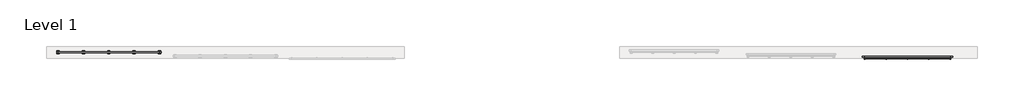
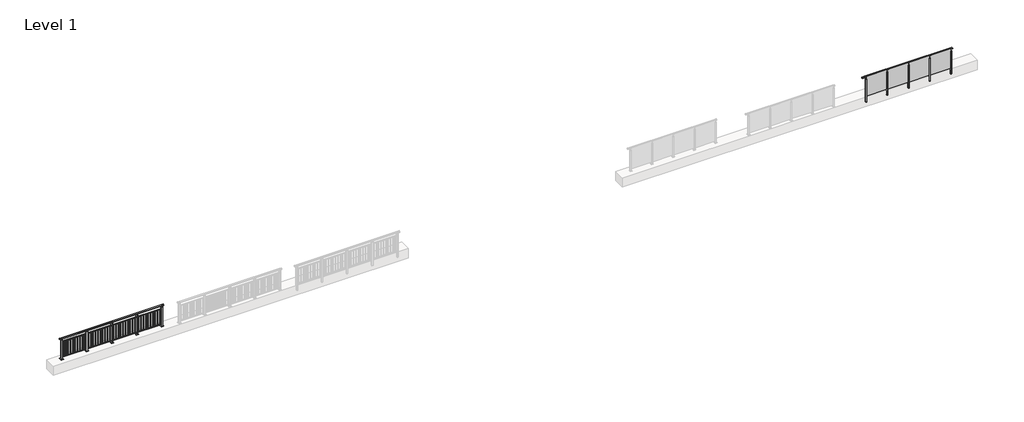
# One storey, part 2 of 38: 2 railings.
"""IFC4 building model written with IfcOpenShell, lengths in millimetres."""

import ifcopenshell
import ifcopenshell.guid

model = None  # the IFC model being written
_history = None  # IfcOwnerHistory: only IFC2X3 demands one
_inside = {}  # id of a spatial element -> (the spatial element, [elements in it])
_under = {}  # id of a project, library or spatial element -> (it, [spatial elements below it])
_declared = {}  # id of a project -> (the project, [libraries it declares])
_typed = {}  # id of a type object -> (the type object, [elements of that type])
_made_of = {}  # id of a material, layer set ... -> (it, [elements and type objects made of it])


def new_model(schema):
    """Start an empty IFC model of exactly this schema.

    Asked for "IFC4X3", IfcOpenShell would pick the latest addendum, in which some entities
    have other attributes; the version numbers below select the first issue.
    IFC2X3 requires an IfcOwnerHistory on every rooted entity: one is made here for all.
    """
    global model, _history
    if schema == "IFC4X3":
        model = ifcopenshell.file(schema_version=(4, 3, 0, 0))
    else:
        model = ifcopenshell.file(schema=schema)
    _inside.clear()
    _under.clear()
    _declared.clear()
    _typed.clear()
    _made_of.clear()
    _history = None
    if model.schema == "IFC2X3":
        org = make("IfcOrganization", Name="unknown")
        user = make(
            "IfcPersonAndOrganization",
            ThePerson=make("IfcPerson", FamilyName="unknown"),
            TheOrganization=org,
        )
        app = make(
            "IfcApplication",
            ApplicationDeveloper=org,
            Version="unknown",
            ApplicationFullName="unknown",
            ApplicationIdentifier="unknown",
        )
        _history = make(
            "IfcOwnerHistory",
            OwningUser=user,
            OwningApplication=app,
            ChangeAction="ADDED",
            CreationDate=0,
        )
    return model


def make(cls, **values):
    """One entity of the class cls with the attributes given. An attribute that is None is left unset."""
    return model.create_entity(
        cls, **{name: value for name, value in values.items() if value is not None}
    )


def rooted(cls, **values):
    """An entity with a GlobalId (a new one), such as an element, a storey or a relation."""
    return make(cls, GlobalId=ifcopenshell.guid.new(), OwnerHistory=_history, **values)


def si_unit(unit_type, name, prefix=None):
    """IfcSIUnit, for example si_unit("LENGTHUNIT", "METRE", prefix="MILLI")."""
    return make("IfcSIUnit", UnitType=unit_type, Prefix=prefix, Name=name)


def assignment(units):
    """IfcUnitAssignment: the units of a project."""
    return None if units is None else make("IfcUnitAssignment", Units=units)


def point(xyz):
    """IfcCartesianPoint."""
    return None if xyz is None else make("IfcCartesianPoint", Coordinates=xyz)


def direction(xyz):
    """IfcDirection."""
    return None if xyz is None else make("IfcDirection", DirectionRatios=xyz)


def frame(location, z_axis=None, x_axis=None):
    """IfcAxis2Placement3D, a coordinate frame: its origin and axes. An axis left out is left unset."""
    return make(
        "IfcAxis2Placement3D",
        Location=point(location),
        Axis=direction(z_axis),
        RefDirection=direction(x_axis),
    )


def frame_2d(location, x_axis=None):
    """IfcAxis2Placement2D, a coordinate frame in the plane: its origin and x axis."""
    return make(
        "IfcAxis2Placement2D", Location=point(location), RefDirection=direction(x_axis)
    )


def origin():
    """The frame at (0, 0, 0) with its axes left unset."""
    return frame((0.0, 0.0, 0.0))


def origin_with_axes():
    """The frame at (0, 0, 0) with the z axis (0, 0, 1) and the x axis (1, 0, 0) written out."""
    return frame((0.0, 0.0, 0.0), z_axis=(0.0, 0.0, 1.0), x_axis=(1.0, 0.0, 0.0))


def place(relative_to, where):
    """IfcLocalPlacement: puts the frame where relative to a parent placement (None: the world)."""
    return make(
        "IfcLocalPlacement", PlacementRelTo=relative_to, RelativePlacement=where
    )


def context(
    kind, dimensions, precision=None, world=None, true_north=None, identifier=None
):
    """IfcGeometricRepresentationContext, for example the 3D "Model" context."""
    return make(
        "IfcGeometricRepresentationContext",
        ContextIdentifier=identifier,
        ContextType=kind,
        CoordinateSpaceDimension=dimensions,
        Precision=precision,
        WorldCoordinateSystem=world,
        TrueNorth=true_north,
    )


def project(units=None, contexts=None):
    """IfcProject with its units and contexts."""
    return rooted(
        "IfcProject",
        Name="project",
        RepresentationContexts=contexts,
        UnitsInContext=assignment(units),
    )


def spatial(cls, under=None, at=None, **own):
    """A site, building, storey or space (cls), placed at a placement, below another one or the project."""
    s = rooted(cls, ObjectPlacement=at, **own)
    if under is not None:
        _under.setdefault(under.id(), (under, []))[1].append(s)
    return s


def polyline(points):
    """IfcPolyline through the points."""
    return make("IfcPolyline", Points=[point(p) for p in points])


def circle_curve(where, radius):
    """IfcCircle in the frame where."""
    return make("IfcCircle", Position=where, Radius=radius)


def trimmed(basis, trim1, trim2, sense, master):
    """IfcTrimmedCurve: the piece of a basis curve between two trims."""
    return make(
        "IfcTrimmedCurve",
        BasisCurve=basis,
        Trim1=trim1,
        Trim2=trim2,
        SenseAgreement=sense,
        MasterRepresentation=master,
    )


def segment(curve, same_sense, transition):
    """IfcCompositeCurveSegment."""
    return make(
        "IfcCompositeCurveSegment",
        Transition=transition,
        SameSense=same_sense,
        ParentCurve=curve,
    )


def composite_curve(segments, self_intersect=None):
    """IfcCompositeCurve: segments joined end to end."""
    return make("IfcCompositeCurve", Segments=segments, SelfIntersect=self_intersect)


def outline(outer, holes=None, kind="AREA"):
    """IfcArbitraryClosedProfileDef: a profile drawn as a closed curve; with holes, ...WithVoids."""
    if holes is None:
        return make("IfcArbitraryClosedProfileDef", ProfileType=kind, OuterCurve=outer)
    return make(
        "IfcArbitraryProfileDefWithVoids",
        ProfileType=kind,
        OuterCurve=outer,
        InnerCurves=holes,
    )


def extrude(swept, where, along, depth):
    """IfcExtrudedAreaSolid: the profile swept, set in the frame where, extruded along a direction by depth."""
    return make(
        "IfcExtrudedAreaSolid",
        SweptArea=swept,
        Position=where,
        ExtrudedDirection=direction(along),
        Depth=depth,
    )


def faces_of(points, faces, orient=None, outer=None):
    """IfcFace entities. A face is a list of loops; a loop is a list of indices into points, from 0.

    orient and outer hold one flag for each loop. By default every Orientation is true, the
    first loop of a face is its IfcFaceOuterBound and the others are IfcFaceBound.
    """
    made = []
    for i, loops in enumerate(faces):
        bounds = []
        for j, loop in enumerate(loops):
            is_outer = j == 0 if outer is None else outer[i][j]
            bounds.append(
                make(
                    "IfcFaceOuterBound" if is_outer else "IfcFaceBound",
                    Bound=make("IfcPolyLoop", Polygon=[points[k] for k in loop]),
                    Orientation=True if orient is None else orient[i][j],
                )
            )
        made.append(make("IfcFace", Bounds=bounds))
    return made


def faceted_brep(points, faces, orient=None, outer=None, voids=None):
    """IfcFacetedBrep: a solid bounded by flat faces; with voids (closed shells), ...WithVoids."""
    shared = [point(p) for p in points]
    hull = make("IfcClosedShell", CfsFaces=faces_of(shared, faces, orient, outer))
    if voids is None:
        return make("IfcFacetedBrep", Outer=hull)
    return make(
        "IfcFacetedBrepWithVoids",
        Outer=hull,
        Voids=[
            make(cls, CfsFaces=faces_of(shared, fs, o, b)) for cls, fs, o, b in voids
        ],
    )


def shape(context_of_items, identifier, shape_type, items):
    """IfcShapeRepresentation: the items that make up one representation, for example the "Body"."""
    return make(
        "IfcShapeRepresentation",
        ContextOfItems=context_of_items,
        RepresentationIdentifier=identifier,
        RepresentationType=shape_type,
        Items=items,
    )


def made_of(thing, what):
    """Note that an element or type object is made of a material, layer set ...; save() writes the relation."""
    if what is not None:
        _made_of.setdefault(what.id(), (what, []))[1].append(thing)
    return thing


def element(
    cls,
    number,
    at=None,
    inside=None,
    cuts=None,
    type_object=None,
    material=None,
    context=None,
    identifier="Body",
    shape_type=None,
    held_by="IfcProductDefinitionShape",
    body=None,
    shapes=None,
    **own,
):
    """One element of the class cls, such as IfcWall. Its Tag is "e" and its number.

    at: its placement. inside: the storey or other place that contains it. cuts: it is an
    opening in that element (IfcRelVoidsElement). A single representation is given by context,
    identifier, shape_type and body (its items); several are given by shapes. held_by: the class
    of the entity that holds the representations. save() writes the other relations.
    """
    e = rooted(cls, Tag="e%d" % number, ObjectPlacement=at, **own)
    if body is not None:
        shapes = [shape(context, identifier, shape_type, body)]
    if shapes is not None:
        e.Representation = make(held_by, Representations=shapes)
    if inside is not None:
        _inside.setdefault(inside.id(), (inside, []))[1].append(e)
    if cuts is not None:
        rooted(
            "IfcRelVoidsElement", RelatingBuildingElement=cuts, RelatedOpeningElement=e
        )
    if type_object is not None:
        _typed.setdefault(type_object.id(), (type_object, []))[1].append(e)
    return made_of(e, material)


def aggregate(whole, parts):
    """IfcRelAggregates: a whole, such as a stair, and the parts it consists of."""
    return rooted("IfcRelAggregates", RelatingObject=whole, RelatedObjects=parts)


def save(model, path):
    """Write the relations noted so far, then the file.

    IfcRelAggregates (storeys below a building ...), IfcRelContainedInSpatialStructure (elements
    in a storey), IfcRelDefinesByType, IfcRelAssociatesMaterial and IfcRelDeclares: one each for
    every whole, place, type object, material and project.
    """
    for whole, parts in _under.values():
        aggregate(whole, parts)
    for where, things in _inside.values():
        rooted(
            "IfcRelContainedInSpatialStructure",
            RelatedElements=things,
            RelatingStructure=where,
        )
    for kind, things in _typed.values():
        rooted("IfcRelDefinesByType", RelatedObjects=things, RelatingType=kind)
    for what, things in _made_of.values():
        rooted("IfcRelAssociatesMaterial", RelatedObjects=things, RelatingMaterial=what)
    for by, libraries in _declared.values():
        rooted("IfcRelDeclares", RelatingContext=by, RelatedDefinitions=libraries)
    model.write(path)


model = new_model("IFC4")

# Units and contexts
model_context = context("Model", 3, world=origin())
ifc_project = project(units=[si_unit("LENGTHUNIT", "METRE", prefix="MILLI")], contexts=[model_context])

# Site, building, storey
site = spatial("IfcSite", under=ifc_project)
building = spatial("IfcBuilding", under=site)
storey = spatial("IfcBuildingStorey", under=building, Name="Level 1", Elevation=0.0)

# Railings
placement = place(None, origin())
element("IfcRailing", 1, at=placement, inside=storey, context=model_context, shape_type="SolidModel", body=[
    faceted_brep([(0.0, 220.1846828, 1102.5), (0.0, 220.1846828, 1150.0), (5200.0, 220.1846828, 1150.0), (5200.0, 220.1846828, 1102.5), (0.0, 160.1846828, 1102.5), (5200.0, 160.1846828, 1102.5), (0.0, 160.1846828, 1150.0), (5200.0, 160.1846828, 1150.0), (-87.5, 220.1846828, 1150.0), (-87.5, 220.1846828, 1102.5), (-87.5, 160.1846828, 1102.5), (-87.5, 160.1846828, 1150.0), (5287.5, 220.1846828, 1150.0), (5287.5, 160.1846828, 1150.0), (5287.5, 160.1846828, 1102.5), (5287.5, 220.1846828, 1102.5)], [[[0, 1, 2, 3]], [[4, 0, 3, 5]], [[6, 4, 5, 7]], [[1, 6, 7, 2]], [[8, 9, 10, 11]], [[9, 8, 1, 0]], [[10, 9, 0, 4]], [[11, 10, 4, 6]], [[8, 11, 6, 1]], [[12, 13, 14, 15]], [[3, 2, 12, 15]], [[5, 3, 15, 14]], [[7, 5, 14, 13]], [[2, 7, 13, 12]]]),
    extrude(outline(polyline([(0.0, 172.1846828), (0.0, 208.1846828), (5200.0, 208.1846828), (5200.0, 172.1846828), (0.0, 172.1846828)])), frame((0.0, 0.0, 928.0), z_axis=(0.0, 0.0, 1.0), x_axis=(1.0, 0.0, 0.0)), (0.0, 0.0, 1.0), 32.0),
    extrude(outline(polyline([(0.0, 172.1846828), (0.0, 208.1846828), (5200.0, 208.1846828), (5200.0, 172.1846828), (0.0, 172.1846828)])), frame((0.0, 0.0, 93.0), z_axis=(0.0, 0.0, 1.0), x_axis=(1.0, 0.0, 0.0)), (0.0, 0.0, 1.0), 32.0),
    extrude(outline(polyline([(5110.0151515, 181.6846828), (5093.0151515, 181.6846828), (5093.0151515, 198.6846828), (5110.0151515, 198.6846828), (5110.0151515, 181.6846828)])), frame((0.0, 0.0, 125.0), z_axis=(0.0, 0.0, 1.0), x_axis=(1.0, 0.0, 0.0)), (0.0, 0.0, 1.0), 803.0),
    extrude(outline(polyline([(4987.456229, 181.6846828), (4970.456229, 181.6846828), (4970.456229, 198.6846828), (4987.456229, 198.6846828), (4987.456229, 181.6846828)])), frame((0.0, 0.0, 125.0), z_axis=(0.0, 0.0, 1.0), x_axis=(1.0, 0.0, 0.0)), (0.0, 0.0, 1.0), 803.0),
    extrude(outline(polyline([(4864.8973064, 181.6846828), (4847.8973064, 181.6846828), (4847.8973064, 198.6846828), (4864.8973064, 198.6846828), (4864.8973064, 181.6846828)])), frame((0.0, 0.0, 125.0), z_axis=(0.0, 0.0, 1.0), x_axis=(1.0, 0.0, 0.0)), (0.0, 0.0, 1.0), 803.0),
    extrude(outline(polyline([(4742.3383838, 181.6846828), (4725.3383838, 181.6846828), (4725.3383838, 198.6846828), (4742.3383838, 198.6846828), (4742.3383838, 181.6846828)])), frame((0.0, 0.0, 125.0), z_axis=(0.0, 0.0, 1.0), x_axis=(1.0, 0.0, 0.0)), (0.0, 0.0, 1.0), 803.0),
    extrude(outline(polyline([(4619.7794613, 181.6846828), (4602.7794613, 181.6846828), (4602.7794613, 198.6846828), (4619.7794613, 198.6846828), (4619.7794613, 181.6846828)])), frame((0.0, 0.0, 125.0), z_axis=(0.0, 0.0, 1.0), x_axis=(1.0, 0.0, 0.0)), (0.0, 0.0, 1.0), 803.0),
    extrude(outline(polyline([(4497.2205387, 181.6846828), (4480.2205387, 181.6846828), (4480.2205387, 198.6846828), (4497.2205387, 198.6846828), (4497.2205387, 181.6846828)])), frame((0.0, 0.0, 125.0), z_axis=(0.0, 0.0, 1.0), x_axis=(1.0, 0.0, 0.0)), (0.0, 0.0, 1.0), 803.0),
    extrude(outline(polyline([(4374.6616162, 181.6846828), (4357.6616162, 181.6846828), (4357.6616162, 198.6846828), (4374.6616162, 198.6846828), (4374.6616162, 181.6846828)])), frame((0.0, 0.0, 125.0), z_axis=(0.0, 0.0, 1.0), x_axis=(1.0, 0.0, 0.0)), (0.0, 0.0, 1.0), 803.0),
    extrude(outline(polyline([(4252.1026936, 181.6846828), (4235.1026936, 181.6846828), (4235.1026936, 198.6846828), (4252.1026936, 198.6846828), (4252.1026936, 181.6846828)])), frame((0.0, 0.0, 125.0), z_axis=(0.0, 0.0, 1.0), x_axis=(1.0, 0.0, 0.0)), (0.0, 0.0, 1.0), 803.0),
    extrude(outline(polyline([(4129.543771, 181.6846828), (4112.543771, 181.6846828), (4112.543771, 198.6846828), (4129.543771, 198.6846828), (4129.543771, 181.6846828)])), frame((0.0, 0.0, 125.0), z_axis=(0.0, 0.0, 1.0), x_axis=(1.0, 0.0, 0.0)), (0.0, 0.0, 1.0), 803.0),
    extrude(outline(polyline([(4006.9848485, 181.6846828), (3989.9848485, 181.6846828), (3989.9848485, 198.6846828), (4006.9848485, 198.6846828), (4006.9848485, 181.6846828)])), frame((0.0, 0.0, 125.0), z_axis=(0.0, 0.0, 1.0), x_axis=(1.0, 0.0, 0.0)), (0.0, 0.0, 1.0), 803.0),
    extrude(outline(polyline([(3910.0, 200.1846828), (3910.0, 180.1846828), (3890.0, 180.1846828), (3890.0, 200.1846828), (3910.0, 200.1846828)])), frame((0.0, 0.0, 1085.0), z_axis=(0.0, 0.0, 1.0), x_axis=(1.0, 0.0, 0.0)), (0.0, 0.0, 1.0), 20.0),
    extrude(outline(polyline([(3927.0, 229.1846828), (3927.0, 151.1846828), (3873.0, 151.1846828), (3873.0, 229.1846828), (3927.0, 229.1846828)])), frame((0.0, 0.0, 1077.0), z_axis=(0.0, 0.0, 1.0), x_axis=(1.0, 0.0, 0.0)), (0.0, 0.0, 1.0), 8.0),
    extrude(outline(polyline([(3962.5, 265.1846828), (3962.5, 115.1846828), (3837.5, 115.1846828), (3837.5, 265.1846828), (3962.5, 265.1846828)])), origin_with_axes(), (0.0, 0.0, 1.0), 12.0),
    extrude(outline(polyline([(3927.0, 229.1846828), (3927.0, 151.1846828), (3873.0, 151.1846828), (3873.0, 229.1846828), (3927.0, 229.1846828)])), frame((0.0, 0.0, 12.0), z_axis=(0.0, 0.0, 1.0), x_axis=(1.0, 0.0, 0.0)), (0.0, 0.0, 1.0), 1065.0),
    extrude(outline(polyline([(3810.0151515, 181.6846828), (3793.0151515, 181.6846828), (3793.0151515, 198.6846828), (3810.0151515, 198.6846828), (3810.0151515, 181.6846828)])), frame((0.0, 0.0, 125.0), z_axis=(0.0, 0.0, 1.0), x_axis=(1.0, 0.0, 0.0)), (0.0, 0.0, 1.0), 803.0),
    extrude(outline(polyline([(3687.456229, 181.6846828), (3670.456229, 181.6846828), (3670.456229, 198.6846828), (3687.456229, 198.6846828), (3687.456229, 181.6846828)])), frame((0.0, 0.0, 125.0), z_axis=(0.0, 0.0, 1.0), x_axis=(1.0, 0.0, 0.0)), (0.0, 0.0, 1.0), 803.0),
    extrude(outline(polyline([(3564.8973064, 181.6846828), (3547.8973064, 181.6846828), (3547.8973064, 198.6846828), (3564.8973064, 198.6846828), (3564.8973064, 181.6846828)])), frame((0.0, 0.0, 125.0), z_axis=(0.0, 0.0, 1.0), x_axis=(1.0, 0.0, 0.0)), (0.0, 0.0, 1.0), 803.0),
    extrude(outline(polyline([(3442.3383838, 181.6846828), (3425.3383838, 181.6846828), (3425.3383838, 198.6846828), (3442.3383838, 198.6846828), (3442.3383838, 181.6846828)])), frame((0.0, 0.0, 125.0), z_axis=(0.0, 0.0, 1.0), x_axis=(1.0, 0.0, 0.0)), (0.0, 0.0, 1.0), 803.0),
    extrude(outline(polyline([(3319.7794613, 181.6846828), (3302.7794613, 181.6846828), (3302.7794613, 198.6846828), (3319.7794613, 198.6846828), (3319.7794613, 181.6846828)])), frame((0.0, 0.0, 125.0), z_axis=(0.0, 0.0, 1.0), x_axis=(1.0, 0.0, 0.0)), (0.0, 0.0, 1.0), 803.0),
    extrude(outline(polyline([(3197.2205387, 181.6846828), (3180.2205387, 181.6846828), (3180.2205387, 198.6846828), (3197.2205387, 198.6846828), (3197.2205387, 181.6846828)])), frame((0.0, 0.0, 125.0), z_axis=(0.0, 0.0, 1.0), x_axis=(1.0, 0.0, 0.0)), (0.0, 0.0, 1.0), 803.0),
    extrude(outline(polyline([(3074.6616162, 181.6846828), (3057.6616162, 181.6846828), (3057.6616162, 198.6846828), (3074.6616162, 198.6846828), (3074.6616162, 181.6846828)])), frame((0.0, 0.0, 125.0), z_axis=(0.0, 0.0, 1.0), x_axis=(1.0, 0.0, 0.0)), (0.0, 0.0, 1.0), 803.0),
    extrude(outline(polyline([(2952.1026936, 181.6846828), (2935.1026936, 181.6846828), (2935.1026936, 198.6846828), (2952.1026936, 198.6846828), (2952.1026936, 181.6846828)])), frame((0.0, 0.0, 125.0), z_axis=(0.0, 0.0, 1.0), x_axis=(1.0, 0.0, 0.0)), (0.0, 0.0, 1.0), 803.0),
    extrude(outline(polyline([(2829.543771, 181.6846828), (2812.543771, 181.6846828), (2812.543771, 198.6846828), (2829.543771, 198.6846828), (2829.543771, 181.6846828)])), frame((0.0, 0.0, 125.0), z_axis=(0.0, 0.0, 1.0), x_axis=(1.0, 0.0, 0.0)), (0.0, 0.0, 1.0), 803.0),
    extrude(outline(polyline([(2706.9848485, 181.6846828), (2689.9848485, 181.6846828), (2689.9848485, 198.6846828), (2706.9848485, 198.6846828), (2706.9848485, 181.6846828)])), frame((0.0, 0.0, 125.0), z_axis=(0.0, 0.0, 1.0), x_axis=(1.0, 0.0, 0.0)), (0.0, 0.0, 1.0), 803.0),
    extrude(outline(polyline([(2610.0, 200.1846828), (2610.0, 180.1846828), (2590.0, 180.1846828), (2590.0, 200.1846828), (2610.0, 200.1846828)])), frame((0.0, 0.0, 1085.0), z_axis=(0.0, 0.0, 1.0), x_axis=(1.0, 0.0, 0.0)), (0.0, 0.0, 1.0), 20.0),
    extrude(outline(polyline([(2627.0, 229.1846828), (2627.0, 151.1846828), (2573.0, 151.1846828), (2573.0, 229.1846828), (2627.0, 229.1846828)])), frame((0.0, 0.0, 1077.0), z_axis=(0.0, 0.0, 1.0), x_axis=(1.0, 0.0, 0.0)), (0.0, 0.0, 1.0), 8.0),
    extrude(outline(polyline([(2662.5, 265.1846828), (2662.5, 115.1846828), (2537.5, 115.1846828), (2537.5, 265.1846828), (2662.5, 265.1846828)])), origin_with_axes(), (0.0, 0.0, 1.0), 12.0),
    extrude(outline(polyline([(2627.0, 229.1846828), (2627.0, 151.1846828), (2573.0, 151.1846828), (2573.0, 229.1846828), (2627.0, 229.1846828)])), frame((0.0, 0.0, 12.0), z_axis=(0.0, 0.0, 1.0), x_axis=(1.0, 0.0, 0.0)), (0.0, 0.0, 1.0), 1065.0),
    extrude(outline(polyline([(2510.0151515, 181.6846828), (2493.0151515, 181.6846828), (2493.0151515, 198.6846828), (2510.0151515, 198.6846828), (2510.0151515, 181.6846828)])), frame((0.0, 0.0, 125.0), z_axis=(0.0, 0.0, 1.0), x_axis=(1.0, 0.0, 0.0)), (0.0, 0.0, 1.0), 803.0),
    extrude(outline(polyline([(2387.456229, 181.6846828), (2370.456229, 181.6846828), (2370.456229, 198.6846828), (2387.456229, 198.6846828), (2387.456229, 181.6846828)])), frame((0.0, 0.0, 125.0), z_axis=(0.0, 0.0, 1.0), x_axis=(1.0, 0.0, 0.0)), (0.0, 0.0, 1.0), 803.0),
    extrude(outline(polyline([(2264.8973064, 181.6846828), (2247.8973064, 181.6846828), (2247.8973064, 198.6846828), (2264.8973064, 198.6846828), (2264.8973064, 181.6846828)])), frame((0.0, 0.0, 125.0), z_axis=(0.0, 0.0, 1.0), x_axis=(1.0, 0.0, 0.0)), (0.0, 0.0, 1.0), 803.0),
    extrude(outline(polyline([(2142.3383838, 181.6846828), (2125.3383838, 181.6846828), (2125.3383838, 198.6846828), (2142.3383838, 198.6846828), (2142.3383838, 181.6846828)])), frame((0.0, 0.0, 125.0), z_axis=(0.0, 0.0, 1.0), x_axis=(1.0, 0.0, 0.0)), (0.0, 0.0, 1.0), 803.0),
    extrude(outline(polyline([(2019.7794613, 181.6846828), (2002.7794613, 181.6846828), (2002.7794613, 198.6846828), (2019.7794613, 198.6846828), (2019.7794613, 181.6846828)])), frame((0.0, 0.0, 125.0), z_axis=(0.0, 0.0, 1.0), x_axis=(1.0, 0.0, 0.0)), (0.0, 0.0, 1.0), 803.0),
    extrude(outline(polyline([(1897.2205387, 181.6846828), (1880.2205387, 181.6846828), (1880.2205387, 198.6846828), (1897.2205387, 198.6846828), (1897.2205387, 181.6846828)])), frame((0.0, 0.0, 125.0), z_axis=(0.0, 0.0, 1.0), x_axis=(1.0, 0.0, 0.0)), (0.0, 0.0, 1.0), 803.0),
    extrude(outline(polyline([(1774.6616162, 181.6846828), (1757.6616162, 181.6846828), (1757.6616162, 198.6846828), (1774.6616162, 198.6846828), (1774.6616162, 181.6846828)])), frame((0.0, 0.0, 125.0), z_axis=(0.0, 0.0, 1.0), x_axis=(1.0, 0.0, 0.0)), (0.0, 0.0, 1.0), 803.0),
    extrude(outline(polyline([(1652.1026936, 181.6846828), (1635.1026936, 181.6846828), (1635.1026936, 198.6846828), (1652.1026936, 198.6846828), (1652.1026936, 181.6846828)])), frame((0.0, 0.0, 125.0), z_axis=(0.0, 0.0, 1.0), x_axis=(1.0, 0.0, 0.0)), (0.0, 0.0, 1.0), 803.0),
    extrude(outline(polyline([(1529.543771, 181.6846828), (1512.543771, 181.6846828), (1512.543771, 198.6846828), (1529.543771, 198.6846828), (1529.543771, 181.6846828)])), frame((0.0, 0.0, 125.0), z_axis=(0.0, 0.0, 1.0), x_axis=(1.0, 0.0, 0.0)), (0.0, 0.0, 1.0), 803.0),
    extrude(outline(polyline([(1406.9848485, 181.6846828), (1389.9848485, 181.6846828), (1389.9848485, 198.6846828), (1406.9848485, 198.6846828), (1406.9848485, 181.6846828)])), frame((0.0, 0.0, 125.0), z_axis=(0.0, 0.0, 1.0), x_axis=(1.0, 0.0, 0.0)), (0.0, 0.0, 1.0), 803.0),
    extrude(outline(polyline([(1310.0, 200.1846828), (1310.0, 180.1846828), (1290.0, 180.1846828), (1290.0, 200.1846828), (1310.0, 200.1846828)])), frame((0.0, 0.0, 1085.0), z_axis=(0.0, 0.0, 1.0), x_axis=(1.0, 0.0, 0.0)), (0.0, 0.0, 1.0), 20.0),
    extrude(outline(polyline([(1327.0, 229.1846828), (1327.0, 151.1846828), (1273.0, 151.1846828), (1273.0, 229.1846828), (1327.0, 229.1846828)])), frame((0.0, 0.0, 1077.0), z_axis=(0.0, 0.0, 1.0), x_axis=(1.0, 0.0, 0.0)), (0.0, 0.0, 1.0), 8.0),
    extrude(outline(polyline([(1362.5, 265.1846828), (1362.5, 115.1846828), (1237.5, 115.1846828), (1237.5, 265.1846828), (1362.5, 265.1846828)])), origin_with_axes(), (0.0, 0.0, 1.0), 12.0),
    extrude(outline(polyline([(1327.0, 229.1846828), (1327.0, 151.1846828), (1273.0, 151.1846828), (1273.0, 229.1846828), (1327.0, 229.1846828)])), frame((0.0, 0.0, 12.0), z_axis=(0.0, 0.0, 1.0), x_axis=(1.0, 0.0, 0.0)), (0.0, 0.0, 1.0), 1065.0),
    extrude(outline(polyline([(1210.0151515, 181.6846828), (1193.0151515, 181.6846828), (1193.0151515, 198.6846828), (1210.0151515, 198.6846828), (1210.0151515, 181.6846828)])), frame((0.0, 0.0, 125.0), z_axis=(0.0, 0.0, 1.0), x_axis=(1.0, 0.0, 0.0)), (0.0, 0.0, 1.0), 803.0),
    extrude(outline(polyline([(1087.456229, 181.6846828), (1070.456229, 181.6846828), (1070.456229, 198.6846828), (1087.456229, 198.6846828), (1087.456229, 181.6846828)])), frame((0.0, 0.0, 125.0), z_axis=(0.0, 0.0, 1.0), x_axis=(1.0, 0.0, 0.0)), (0.0, 0.0, 1.0), 803.0),
    extrude(outline(polyline([(964.8973064, 181.6846828), (947.8973064, 181.6846828), (947.8973064, 198.6846828), (964.8973064, 198.6846828), (964.8973064, 181.6846828)])), frame((0.0, 0.0, 125.0), z_axis=(0.0, 0.0, 1.0), x_axis=(1.0, 0.0, 0.0)), (0.0, 0.0, 1.0), 803.0),
    extrude(outline(polyline([(842.3383838, 181.6846828), (825.3383838, 181.6846828), (825.3383838, 198.6846828), (842.3383838, 198.6846828), (842.3383838, 181.6846828)])), frame((0.0, 0.0, 125.0), z_axis=(0.0, 0.0, 1.0), x_axis=(1.0, 0.0, 0.0)), (0.0, 0.0, 1.0), 803.0),
    extrude(outline(polyline([(719.7794613, 181.6846828), (702.7794613, 181.6846828), (702.7794613, 198.6846828), (719.7794613, 198.6846828), (719.7794613, 181.6846828)])), frame((0.0, 0.0, 125.0), z_axis=(0.0, 0.0, 1.0), x_axis=(1.0, 0.0, 0.0)), (0.0, 0.0, 1.0), 803.0),
    extrude(outline(polyline([(597.2205387, 181.6846828), (580.2205387, 181.6846828), (580.2205387, 198.6846828), (597.2205387, 198.6846828), (597.2205387, 181.6846828)])), frame((0.0, 0.0, 125.0), z_axis=(0.0, 0.0, 1.0), x_axis=(1.0, 0.0, 0.0)), (0.0, 0.0, 1.0), 803.0),
    extrude(outline(polyline([(474.6616162, 181.6846828), (457.6616162, 181.6846828), (457.6616162, 198.6846828), (474.6616162, 198.6846828), (474.6616162, 181.6846828)])), frame((0.0, 0.0, 125.0), z_axis=(0.0, 0.0, 1.0), x_axis=(1.0, 0.0, 0.0)), (0.0, 0.0, 1.0), 803.0),
    extrude(outline(polyline([(352.1026936, 181.6846828), (335.1026936, 181.6846828), (335.1026936, 198.6846828), (352.1026936, 198.6846828), (352.1026936, 181.6846828)])), frame((0.0, 0.0, 125.0), z_axis=(0.0, 0.0, 1.0), x_axis=(1.0, 0.0, 0.0)), (0.0, 0.0, 1.0), 803.0),
    extrude(outline(polyline([(229.543771, 181.6846828), (212.543771, 181.6846828), (212.543771, 198.6846828), (229.543771, 198.6846828), (229.543771, 181.6846828)])), frame((0.0, 0.0, 125.0), z_axis=(0.0, 0.0, 1.0), x_axis=(1.0, 0.0, 0.0)), (0.0, 0.0, 1.0), 803.0),
    extrude(outline(polyline([(106.9848485, 181.6846828), (89.9848485, 181.6846828), (89.9848485, 198.6846828), (106.9848485, 198.6846828), (106.9848485, 181.6846828)])), frame((0.0, 0.0, 125.0), z_axis=(0.0, 0.0, 1.0), x_axis=(1.0, 0.0, 0.0)), (0.0, 0.0, 1.0), 803.0),
    extrude(outline(polyline([(5210.0, 200.1846828), (5210.0, 180.1846828), (5190.0, 180.1846828), (5190.0, 200.1846828), (5210.0, 200.1846828)])), frame((0.0, 0.0, 1085.0), z_axis=(0.0, 0.0, 1.0), x_axis=(1.0, 0.0, 0.0)), (0.0, 0.0, 1.0), 20.0),
    extrude(outline(polyline([(5227.0, 229.1846828), (5227.0, 151.1846828), (5173.0, 151.1846828), (5173.0, 229.1846828), (5227.0, 229.1846828)])), frame((0.0, 0.0, 1077.0), z_axis=(0.0, 0.0, 1.0), x_axis=(1.0, 0.0, 0.0)), (0.0, 0.0, 1.0), 8.0),
    extrude(outline(polyline([(5262.5, 265.1846828), (5262.5, 115.1846828), (5137.5, 115.1846828), (5137.5, 265.1846828), (5262.5, 265.1846828)])), origin_with_axes(), (0.0, 0.0, 1.0), 12.0),
    extrude(outline(polyline([(5227.0, 229.1846828), (5227.0, 151.1846828), (5173.0, 151.1846828), (5173.0, 229.1846828), (5227.0, 229.1846828)])), frame((0.0, 0.0, 12.0), z_axis=(0.0, 0.0, 1.0), x_axis=(1.0, 0.0, 0.0)), (0.0, 0.0, 1.0), 1065.0),
    extrude(outline(polyline([(10.0, 200.1846828), (10.0, 180.1846828), (-10.0, 180.1846828), (-10.0, 200.1846828), (10.0, 200.1846828)])), frame((0.0, 0.0, 1085.0), z_axis=(0.0, 0.0, 1.0), x_axis=(1.0, 0.0, 0.0)), (0.0, 0.0, 1.0), 20.0),
    extrude(outline(polyline([(27.0, 229.1846828), (27.0, 151.1846828), (-27.0, 151.1846828), (-27.0, 229.1846828), (27.0, 229.1846828)])), frame((0.0, 0.0, 1077.0), z_axis=(0.0, 0.0, 1.0), x_axis=(1.0, 0.0, 0.0)), (0.0, 0.0, 1.0), 8.0),
    extrude(outline(polyline([(62.5, 265.1846828), (62.5, 115.1846828), (-62.5, 115.1846828), (-62.5, 265.1846828), (62.5, 265.1846828)])), origin_with_axes(), (0.0, 0.0, 1.0), 12.0),
    extrude(outline(polyline([(27.0, 229.1846828), (27.0, 151.1846828), (-27.0, 151.1846828), (-27.0, 229.1846828), (27.0, 229.1846828)])), frame((0.0, 0.0, 12.0), z_axis=(0.0, 0.0, 1.0), x_axis=(1.0, 0.0, 0.0)), (0.0, 0.0, 1.0), 1065.0),
])
element("IfcRailing", 2, at=placement, inside=storey, context=model_context, shape_type="SolidModel", body=[
    faceted_brep([(41476.1884576, -6.8153172, 1052.5), (41476.1884576, -6.8153172, 1100.0), (45876.1884576, -6.8153172, 1100.0), (45876.1884576, -6.8153172, 1052.5), (41476.1884576, -66.8153172, 1052.5), (45876.1884576, -66.8153172, 1052.5), (41476.1884576, -66.8153172, 1100.0), (45876.1884576, -66.8153172, 1100.0), (41348.6884576, -6.8153172, 1100.0), (41348.6884576, -6.8153172, 1052.5), (41348.6884576, -66.8153172, 1052.5), (41348.6884576, -66.8153172, 1100.0), (46003.6884576, -6.8153172, 1100.0), (46003.6884576, -66.8153172, 1100.0), (46003.6884576, -66.8153172, 1052.5), (46003.6884576, -6.8153172, 1052.5)], [[[0, 1, 2, 3]], [[4, 0, 3, 5]], [[6, 4, 5, 7]], [[1, 6, 7, 2]], [[8, 9, 10, 11]], [[9, 8, 1, 0]], [[10, 9, 0, 4]], [[11, 10, 4, 6]], [[8, 11, 6, 1]], [[12, 13, 14, 15]], [[3, 2, 12, 15]], [[5, 3, 15, 14]], [[7, 5, 14, 13]], [[2, 7, 13, 12]]]),
    extrude(outline(polyline([(44786.1884576, -138.0905071), (44786.1884576, -128.0905071), (45866.1884576, -128.0905071), (45866.1884576, -138.0905071), (44786.1884576, -138.0905071)])), frame((0.0, 0.0, 95.0), z_axis=(0.0, 0.0, 1.0), x_axis=(1.0, 0.0, 0.0)), (0.0, 0.0, 1.0), 1055.0),
    extrude(outline(composite_curve([segment(polyline([(-11.8153172, 1085.0), (-11.8153172, 1060.900037)]), True, "CONTINUOUS"), segment(trimmed(circle_curve(frame_2d((-21.8153172, 1060.900037)), 10.0), [point((-11.8153172, 1060.900037))], [point((-19.2271267, 1051.2407787))], False, "CARTESIAN"), True, "CONTINUOUS"), segment(polyline([(-19.2271267, 1051.2407787), (-76.2755267, 1035.9547061)]), True, "CONTINUOUS"), segment(trimmed(circle_curve(frame_2d((-73.6873362, 1026.2954478)), 10.0), [point((-76.2755267, 1035.9547061))], [point((-83.6017848, 1027.6007097))], True, "CARTESIAN"), True, "CONTINUOUS"), segment(polyline([(-83.6017848, 1027.6007097), (-88.208607, 992.6084214)]), True, "CONTINUOUS"), segment(trimmed(circle_curve(frame_2d((-91.1829416, 993.0)), 3.0), [point((-88.208607, 992.6084214))], [point((-91.1829416, 990.0))], False, "CARTESIAN"), True, "CONTINUOUS"), segment(polyline([(-91.1829416, 990.0), (-99.8153172, 990.0), (-99.8153172, 1040.0), (-35.8153172, 1057.1487483), (-35.8153172, 1085.0), (-11.8153172, 1085.0)]), True, "CONTINUOUS")], self_intersect=False)), frame((44763.6884576, 0.0, 0.0), z_axis=(1.0, 0.0, 0.0), x_axis=(0.0, 1.0, 0.0)), (0.0, 0.0, 1.0), 25.0),
    extrude(outline(polyline([(44798.6884576, -99.8153172), (44798.6884576, -164.8153172), (44753.6884576, -164.8153172), (44753.6884576, -99.8153172), (44798.6884576, -99.8153172)])), frame((0.0, 0.0, 1040.0), z_axis=(0.0, 0.0, 1.0), x_axis=(1.0, 0.0, 0.0)), (0.0, 0.0, 1.0), 5.0),
    extrude(outline(polyline([(44798.6884576, -99.8153172), (44798.6884576, -164.8153172), (44753.6884576, -164.8153172), (44753.6884576, -99.8153172), (44798.6884576, -99.8153172)])), frame((0.0, 0.0, -212.0), z_axis=(0.0, 0.0, 1.0), x_axis=(1.0, 0.0, 0.0)), (0.0, 0.0, 1.0), 1252.0),
    extrude(outline(polyline([(44798.6884576, -99.8153172), (44798.6884576, -164.8153172), (44753.6884576, -164.8153172), (44753.6884576, -99.8153172), (44798.6884576, -99.8153172)])), frame((0.0, 0.0, -220.0), z_axis=(0.0, 0.0, 1.0), x_axis=(1.0, 0.0, 0.0)), (0.0, 0.0, 1.0), 8.0),
    extrude(outline(polyline([(43686.1884576, -138.0905071), (43686.1884576, -128.0905071), (44766.1884576, -128.0905071), (44766.1884576, -138.0905071), (43686.1884576, -138.0905071)])), frame((0.0, 0.0, 95.0), z_axis=(0.0, 0.0, 1.0), x_axis=(1.0, 0.0, 0.0)), (0.0, 0.0, 1.0), 1055.0),
    extrude(outline(composite_curve([segment(polyline([(-11.8153172, 1085.0), (-11.8153172, 1060.900037)]), True, "CONTINUOUS"), segment(trimmed(circle_curve(frame_2d((-21.8153172, 1060.900037)), 10.0), [point((-11.8153172, 1060.900037))], [point((-19.2271267, 1051.2407787))], False, "CARTESIAN"), True, "CONTINUOUS"), segment(polyline([(-19.2271267, 1051.2407787), (-76.2755267, 1035.9547061)]), True, "CONTINUOUS"), segment(trimmed(circle_curve(frame_2d((-73.6873362, 1026.2954478)), 10.0), [point((-76.2755267, 1035.9547061))], [point((-83.6017848, 1027.6007097))], True, "CARTESIAN"), True, "CONTINUOUS"), segment(polyline([(-83.6017848, 1027.6007097), (-88.208607, 992.6084214)]), True, "CONTINUOUS"), segment(trimmed(circle_curve(frame_2d((-91.1829416, 993.0)), 3.0), [point((-88.208607, 992.6084214))], [point((-91.1829416, 990.0))], False, "CARTESIAN"), True, "CONTINUOUS"), segment(polyline([(-91.1829416, 990.0), (-99.8153172, 990.0), (-99.8153172, 1040.0), (-35.8153172, 1057.1487483), (-35.8153172, 1085.0), (-11.8153172, 1085.0)]), True, "CONTINUOUS")], self_intersect=False)), frame((43663.6884576, 0.0, 0.0), z_axis=(1.0, 0.0, 0.0), x_axis=(0.0, 1.0, 0.0)), (0.0, 0.0, 1.0), 25.0),
    extrude(outline(polyline([(43698.6884576, -99.8153172), (43698.6884576, -164.8153172), (43653.6884576, -164.8153172), (43653.6884576, -99.8153172), (43698.6884576, -99.8153172)])), frame((0.0, 0.0, 1040.0), z_axis=(0.0, 0.0, 1.0), x_axis=(1.0, 0.0, 0.0)), (0.0, 0.0, 1.0), 5.0),
    extrude(outline(polyline([(43698.6884576, -99.8153172), (43698.6884576, -164.8153172), (43653.6884576, -164.8153172), (43653.6884576, -99.8153172), (43698.6884576, -99.8153172)])), frame((0.0, 0.0, -212.0), z_axis=(0.0, 0.0, 1.0), x_axis=(1.0, 0.0, 0.0)), (0.0, 0.0, 1.0), 1252.0),
    extrude(outline(polyline([(43698.6884576, -99.8153172), (43698.6884576, -164.8153172), (43653.6884576, -164.8153172), (43653.6884576, -99.8153172), (43698.6884576, -99.8153172)])), frame((0.0, 0.0, -220.0), z_axis=(0.0, 0.0, 1.0), x_axis=(1.0, 0.0, 0.0)), (0.0, 0.0, 1.0), 8.0),
    extrude(outline(polyline([(42586.1884576, -138.0905071), (42586.1884576, -128.0905071), (43666.1884576, -128.0905071), (43666.1884576, -138.0905071), (42586.1884576, -138.0905071)])), frame((0.0, 0.0, 95.0), z_axis=(0.0, 0.0, 1.0), x_axis=(1.0, 0.0, 0.0)), (0.0, 0.0, 1.0), 1055.0),
    extrude(outline(composite_curve([segment(polyline([(-11.8153172, 1085.0), (-11.8153172, 1060.900037)]), True, "CONTINUOUS"), segment(trimmed(circle_curve(frame_2d((-21.8153172, 1060.900037)), 10.0), [point((-11.8153172, 1060.900037))], [point((-19.2271267, 1051.2407787))], False, "CARTESIAN"), True, "CONTINUOUS"), segment(polyline([(-19.2271267, 1051.2407787), (-76.2755267, 1035.9547061)]), True, "CONTINUOUS"), segment(trimmed(circle_curve(frame_2d((-73.6873362, 1026.2954478)), 10.0), [point((-76.2755267, 1035.9547061))], [point((-83.6017848, 1027.6007097))], True, "CARTESIAN"), True, "CONTINUOUS"), segment(polyline([(-83.6017848, 1027.6007097), (-88.208607, 992.6084214)]), True, "CONTINUOUS"), segment(trimmed(circle_curve(frame_2d((-91.1829416, 993.0)), 3.0), [point((-88.208607, 992.6084214))], [point((-91.1829416, 990.0))], False, "CARTESIAN"), True, "CONTINUOUS"), segment(polyline([(-91.1829416, 990.0), (-99.8153172, 990.0), (-99.8153172, 1040.0), (-35.8153172, 1057.1487483), (-35.8153172, 1085.0), (-11.8153172, 1085.0)]), True, "CONTINUOUS")], self_intersect=False)), frame((42563.6884576, 0.0, 0.0), z_axis=(1.0, 0.0, 0.0), x_axis=(0.0, 1.0, 0.0)), (0.0, 0.0, 1.0), 25.0),
    extrude(outline(polyline([(42598.6884576, -99.8153172), (42598.6884576, -164.8153172), (42553.6884576, -164.8153172), (42553.6884576, -99.8153172), (42598.6884576, -99.8153172)])), frame((0.0, 0.0, 1040.0), z_axis=(0.0, 0.0, 1.0), x_axis=(1.0, 0.0, 0.0)), (0.0, 0.0, 1.0), 5.0),
    extrude(outline(polyline([(42598.6884576, -99.8153172), (42598.6884576, -164.8153172), (42553.6884576, -164.8153172), (42553.6884576, -99.8153172), (42598.6884576, -99.8153172)])), frame((0.0, 0.0, -212.0), z_axis=(0.0, 0.0, 1.0), x_axis=(1.0, 0.0, 0.0)), (0.0, 0.0, 1.0), 1252.0),
    extrude(outline(polyline([(42598.6884576, -99.8153172), (42598.6884576, -164.8153172), (42553.6884576, -164.8153172), (42553.6884576, -99.8153172), (42598.6884576, -99.8153172)])), frame((0.0, 0.0, -220.0), z_axis=(0.0, 0.0, 1.0), x_axis=(1.0, 0.0, 0.0)), (0.0, 0.0, 1.0), 8.0),
    extrude(outline(polyline([(41486.1884576, -138.0905071), (41486.1884576, -128.0905071), (42566.1884576, -128.0905071), (42566.1884576, -138.0905071), (41486.1884576, -138.0905071)])), frame((0.0, 0.0, 95.0), z_axis=(0.0, 0.0, 1.0), x_axis=(1.0, 0.0, 0.0)), (0.0, 0.0, 1.0), 1055.0),
    extrude(outline(composite_curve([segment(polyline([(-11.8153172, 1085.0), (-11.8153172, 1060.900037)]), True, "CONTINUOUS"), segment(trimmed(circle_curve(frame_2d((-21.8153172, 1060.900037)), 10.0), [point((-11.8153172, 1060.900037))], [point((-19.2271267, 1051.2407787))], False, "CARTESIAN"), True, "CONTINUOUS"), segment(polyline([(-19.2271267, 1051.2407787), (-76.2755267, 1035.9547061)]), True, "CONTINUOUS"), segment(trimmed(circle_curve(frame_2d((-73.6873362, 1026.2954478)), 10.0), [point((-76.2755267, 1035.9547061))], [point((-83.6017848, 1027.6007097))], True, "CARTESIAN"), True, "CONTINUOUS"), segment(polyline([(-83.6017848, 1027.6007097), (-88.208607, 992.6084214)]), True, "CONTINUOUS"), segment(trimmed(circle_curve(frame_2d((-91.1829416, 993.0)), 3.0), [point((-88.208607, 992.6084214))], [point((-91.1829416, 990.0))], False, "CARTESIAN"), True, "CONTINUOUS"), segment(polyline([(-91.1829416, 990.0), (-99.8153172, 990.0), (-99.8153172, 1040.0), (-35.8153172, 1057.1487483), (-35.8153172, 1085.0), (-11.8153172, 1085.0)]), True, "CONTINUOUS")], self_intersect=False)), frame((45863.6884576, 0.0, 0.0), z_axis=(1.0, 0.0, 0.0), x_axis=(0.0, 1.0, 0.0)), (0.0, 0.0, 1.0), 25.0),
    extrude(outline(polyline([(45898.6884576, -99.8153172), (45898.6884576, -164.8153172), (45853.6884576, -164.8153172), (45853.6884576, -99.8153172), (45898.6884576, -99.8153172)])), frame((0.0, 0.0, 1040.0), z_axis=(0.0, 0.0, 1.0), x_axis=(1.0, 0.0, 0.0)), (0.0, 0.0, 1.0), 5.0),
    extrude(outline(polyline([(45898.6884576, -99.8153172), (45898.6884576, -164.8153172), (45853.6884576, -164.8153172), (45853.6884576, -99.8153172), (45898.6884576, -99.8153172)])), frame((0.0, 0.0, -212.0), z_axis=(0.0, 0.0, 1.0), x_axis=(1.0, 0.0, 0.0)), (0.0, 0.0, 1.0), 1252.0),
    extrude(outline(polyline([(45898.6884576, -99.8153172), (45898.6884576, -164.8153172), (45853.6884576, -164.8153172), (45853.6884576, -99.8153172), (45898.6884576, -99.8153172)])), frame((0.0, 0.0, -220.0), z_axis=(0.0, 0.0, 1.0), x_axis=(1.0, 0.0, 0.0)), (0.0, 0.0, 1.0), 8.0),
    extrude(outline(composite_curve([segment(polyline([(-11.8153172, 1085.0), (-11.8153172, 1060.900037)]), True, "CONTINUOUS"), segment(trimmed(circle_curve(frame_2d((-21.8153172, 1060.900037)), 10.0), [point((-11.8153172, 1060.900037))], [point((-19.2271267, 1051.2407787))], False, "CARTESIAN"), True, "CONTINUOUS"), segment(polyline([(-19.2271267, 1051.2407787), (-76.2755267, 1035.9547061)]), True, "CONTINUOUS"), segment(trimmed(circle_curve(frame_2d((-73.6873362, 1026.2954478)), 10.0), [point((-76.2755267, 1035.9547061))], [point((-83.6017848, 1027.6007097))], True, "CARTESIAN"), True, "CONTINUOUS"), segment(polyline([(-83.6017848, 1027.6007097), (-88.208607, 992.6084214)]), True, "CONTINUOUS"), segment(trimmed(circle_curve(frame_2d((-91.1829416, 993.0)), 3.0), [point((-88.208607, 992.6084214))], [point((-91.1829416, 990.0))], False, "CARTESIAN"), True, "CONTINUOUS"), segment(polyline([(-91.1829416, 990.0), (-99.8153172, 990.0), (-99.8153172, 1040.0), (-35.8153172, 1057.1487483), (-35.8153172, 1085.0), (-11.8153172, 1085.0)]), True, "CONTINUOUS")], self_intersect=False)), frame((41463.6884576, 0.0, 0.0), z_axis=(1.0, 0.0, 0.0), x_axis=(0.0, 1.0, 0.0)), (0.0, 0.0, 1.0), 25.0),
    extrude(outline(polyline([(41498.6884576, -99.8153172), (41498.6884576, -164.8153172), (41453.6884576, -164.8153172), (41453.6884576, -99.8153172), (41498.6884576, -99.8153172)])), frame((0.0, 0.0, 1040.0), z_axis=(0.0, 0.0, 1.0), x_axis=(1.0, 0.0, 0.0)), (0.0, 0.0, 1.0), 5.0),
    extrude(outline(polyline([(41498.6884576, -99.8153172), (41498.6884576, -164.8153172), (41453.6884576, -164.8153172), (41453.6884576, -99.8153172), (41498.6884576, -99.8153172)])), frame((0.0, 0.0, -212.0), z_axis=(0.0, 0.0, 1.0), x_axis=(1.0, 0.0, 0.0)), (0.0, 0.0, 1.0), 1252.0),
    extrude(outline(polyline([(41498.6884576, -99.8153172), (41498.6884576, -164.8153172), (41453.6884576, -164.8153172), (41453.6884576, -99.8153172), (41498.6884576, -99.8153172)])), frame((0.0, 0.0, -220.0), z_axis=(0.0, 0.0, 1.0), x_axis=(1.0, 0.0, 0.0)), (0.0, 0.0, 1.0), 8.0),
])

save(model, "model.ifc")
